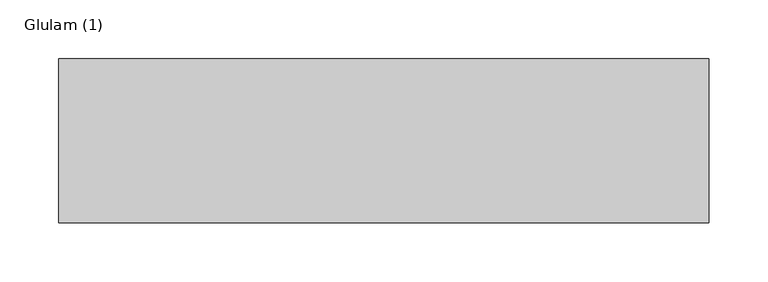
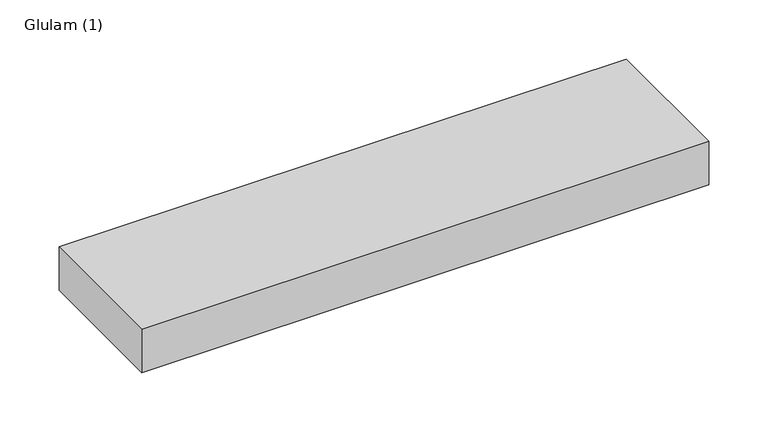
"""IFC4 building model written with IfcOpenShell, lengths in millimetres: beam geometry, Glulam (1)."""

from ifc_helpers import new_model, si_unit, frame, origin, place, context, project, spatial, polyline, outline, extrude, source, transform, mapped, element, save


def glulam_1_ab954fc4(model_context):
    return source(origin(), model_context, "Body", "SweptSolid", [
        extrude(outline(polyline([(277.0, 70.0), (277.0, -70.0), (-277.475458, -70.0), (-277.475458, 70.0), (277.0, 70.0)])), frame((0.0, 0.0, -22.5), z_axis=(0.0, 0.0, 1.0), x_axis=(1.0, 0.0, 0.0)), (0.0, 0.0, 1.0), 45.0),
    ])


if __name__ == "__main__":
    model = new_model("IFC4")
    model_context = context("Model", 3, world=origin())
    ifc_project = project(units=[si_unit("LENGTHUNIT", "METRE", prefix="MILLI")], contexts=[model_context])
    site = spatial("IfcSite", under=ifc_project)
    building = spatial("IfcBuilding", under=site)
    placement = place(None, origin())
    glulam_1_shape = glulam_1_ab954fc4(model_context)
    element("IfcBeam", 1, ObjectType="Glulam (1)", at=placement, inside=building, context=model_context, shape_type="MappedRepresentation", body=[
        mapped(glulam_1_shape, transform((0.0, 0.0, 0.0), x_axis=(1.0, 0.0, 0.0), y_axis=(0.0, 1.0, 0.0), z_axis=(0.0, 0.0, 1.0))),
    ])
    save(model, "model.ifc")
